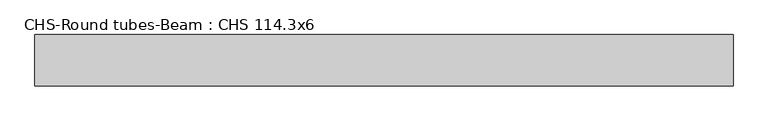
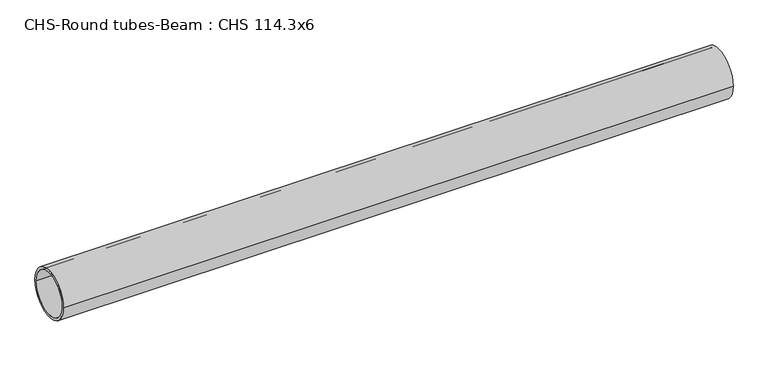
"""IFC4 building model written with IfcOpenShell, lengths in millimetres: beam geometry, CHS-Round tubes-Beam : CHS 114.3x6."""

from ifc_helpers import new_model, si_unit, point, frame, origin, origin_2d, place, context, project, spatial, circle_curve, trimmed, segment, composite_curve, outline, extrude, source, transform, mapped, element, save


def chs_round_tubes_beam_chs_114_3x6_65b1696f(model_context):
    return source(origin(), model_context, "Body", "SweptSolid", [
        extrude(outline(composite_curve([segment(trimmed(circle_curve(origin_2d(), 57.15), [point((57.15, 0.0))], [point((-57.15, 0.0))], False, "CARTESIAN"), True, "CONTINUOUS"), segment(trimmed(circle_curve(origin_2d(), 57.15), [point((-57.15, 0.0))], [point((57.15, 0.0))], False, "CARTESIAN"), True, "CONTINUOUS")], self_intersect=False), holes=[composite_curve([segment(trimmed(circle_curve(origin_2d(), 51.15), [point((51.15, 0.0))], [point((-51.15, 0.0))], True, "CARTESIAN"), True, "CONTINUOUS"), segment(trimmed(circle_curve(origin_2d(), 51.15), [point((-51.15, 0.0))], [point((51.15, 0.0))], True, "CARTESIAN"), True, "CONTINUOUS")], self_intersect=False)]), frame((-790.1160342, 0.0, 0.0), z_axis=(1.0, 0.0, 0.0), x_axis=(0.0, 1.0, 0.0)), (0.0, 0.0, 1.0), 1555.5341888),
    ])


if __name__ == "__main__":
    model = new_model("IFC4")
    model_context = context("Model", 3, world=origin())
    ifc_project = project(units=[si_unit("LENGTHUNIT", "METRE", prefix="MILLI")], contexts=[model_context])
    site = spatial("IfcSite", under=ifc_project)
    building = spatial("IfcBuilding", under=site)
    placement = place(None, origin())
    chs_round_tubes_beam_chs_114_3x6_shape = chs_round_tubes_beam_chs_114_3x6_65b1696f(model_context)
    element("IfcBeam", 1, ObjectType="CHS-Round tubes-Beam : CHS 114.3x6", at=placement, inside=building, context=model_context, shape_type="MappedRepresentation", body=[
        mapped(chs_round_tubes_beam_chs_114_3x6_shape, transform((0.0, 0.0, 0.0), x_axis=(1.0, 0.0, 0.0), y_axis=(0.0, 1.0, 0.0), z_axis=(0.0, 0.0, 1.0))),
    ])
    save(model, "model.ifc")
